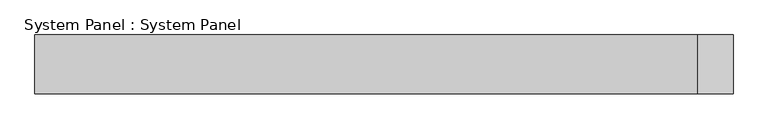
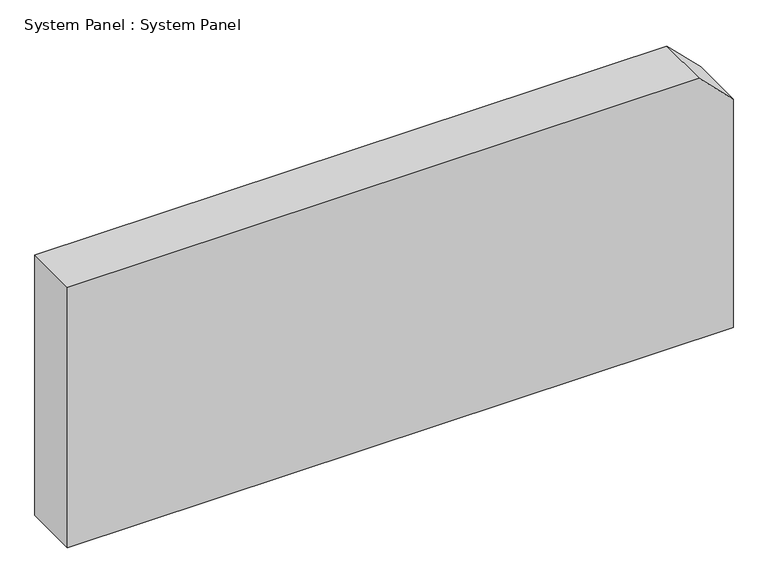
"""IFC4 building model written with IfcOpenShell, lengths in millimetres: plate geometry, System Panel : System Panel."""

from ifc_helpers import new_model, si_unit, frame, origin, place, context, project, spatial, polyline, outline, extrude, source, transform, mapped, element, save


def system_panel_system_panel_0cf27b3a(model_context):
    return source(origin(), model_context, "Body", "SweptSolid", [
        extrude(outline(polyline([(0.0, -591.0), (0.0, 591.0), (429.2893219, 591.0), (489.25, 531.0393219), (489.25, -591.0), (0.0, -591.0)])), frame((0.0, -50.0, 0.0), z_axis=(0.0, 1.0, 0.0), x_axis=(0.0, 0.0, 1.0)), (0.0, 0.0, 1.0), 100.0),
    ])


if __name__ == "__main__":
    model = new_model("IFC4")
    model_context = context("Model", 3, world=origin())
    ifc_project = project(units=[si_unit("LENGTHUNIT", "METRE", prefix="MILLI")], contexts=[model_context])
    site = spatial("IfcSite", under=ifc_project)
    building = spatial("IfcBuilding", under=site)
    placement = place(None, origin())
    system_panel_system_panel_shape = system_panel_system_panel_0cf27b3a(model_context)
    element("IfcPlate", 1, ObjectType="System Panel : System Panel", at=placement, inside=building, context=model_context, shape_type="MappedRepresentation", body=[
        mapped(system_panel_system_panel_shape, transform((0.0, 0.0, 0.0), x_axis=(1.0, 0.0, 0.0), y_axis=(0.0, 1.0, 0.0), z_axis=(0.0, 0.0, 1.0))),
    ])
    save(model, "model.ifc")
